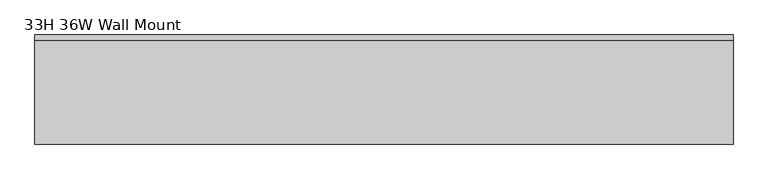
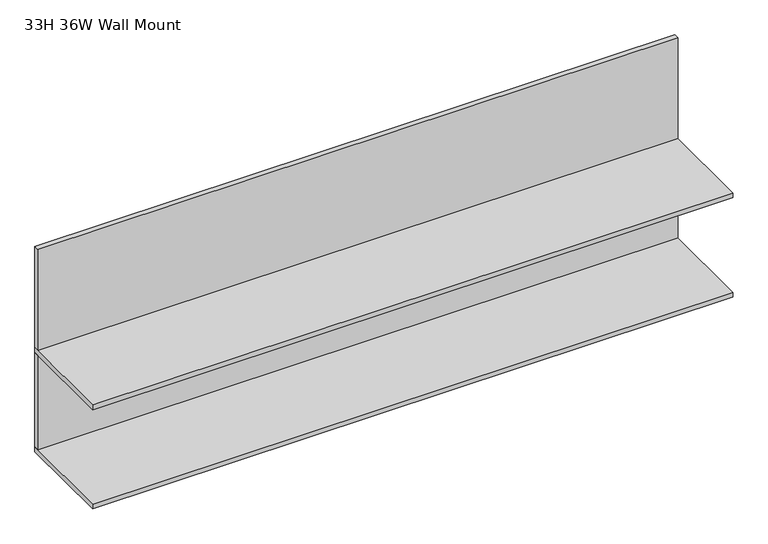
"""IFC4 building model written with IfcOpenShell, lengths in millimetres: furniture geometry, 33H 36W Wall Mount."""

from ifc_helpers import new_model, si_unit, frame, origin, place, context, project, spatial, polyline, outline, extrude, source, transform, mapped, element, save


def furniture_33h_36w_wall_mount_8dc9b678(model_context):
    return source(origin(), model_context, "Body", "SweptSolid", [
        extrude(outline(polyline([(1206.5, -12.7), (1206.5, -31.75), (-1231.9, -31.75), (-1231.9, -12.7), (1206.5, -12.7)])), frame((0.0, 0.0, 1250.95), z_axis=(0.0, 0.0, 1.0), x_axis=(1.0, 0.0, 0.0)), (0.0, 0.0, 1.0), 381.0),
        extrude(outline(polyline([(1206.5, -12.7), (1206.5, -393.7), (-1231.9, -393.7), (-1231.9, -12.7), (1206.5, -12.7)])), frame((0.0, 0.0, 1231.9), z_axis=(0.0, 0.0, 1.0), x_axis=(1.0, 0.0, 0.0)), (0.0, 0.0, 1.0), 19.05),
        extrude(outline(polyline([(1206.5, -12.7), (1206.5, -393.7), (-1231.9, -393.7), (-1231.9, -12.7), (1206.5, -12.7)])), frame((0.0, 0.0, 1631.95), z_axis=(0.0, 0.0, 1.0), x_axis=(1.0, 0.0, 0.0)), (0.0, 0.0, 1.0), 19.05),
        extrude(outline(polyline([(1206.5, -12.7), (1206.5, -31.75), (-1231.9, -31.75), (-1231.9, -12.7), (1206.5, -12.7)])), frame((0.0, 0.0, 1651.0), z_axis=(0.0, 0.0, 1.0), x_axis=(1.0, 0.0, 0.0)), (0.0, 0.0, 1.0), 406.4),
    ])


if __name__ == "__main__":
    model = new_model("IFC4")
    model_context = context("Model", 3, world=origin())
    ifc_project = project(units=[si_unit("LENGTHUNIT", "METRE", prefix="MILLI")], contexts=[model_context])
    site = spatial("IfcSite", under=ifc_project)
    building = spatial("IfcBuilding", under=site)
    placement = place(None, origin())
    furniture_33h_36w_wall_mount_shape = furniture_33h_36w_wall_mount_8dc9b678(model_context)
    element("IfcFurniture", 1, ObjectType="33H 36W Wall Mount", at=placement, inside=building, context=model_context, shape_type="MappedRepresentation", body=[
        mapped(furniture_33h_36w_wall_mount_shape, transform((0.0, 0.0, 0.0), x_axis=(1.0, 0.0, 0.0), y_axis=(0.0, 1.0, 0.0), z_axis=(0.0, 0.0, 1.0))),
    ])
    save(model, "model.ifc")
